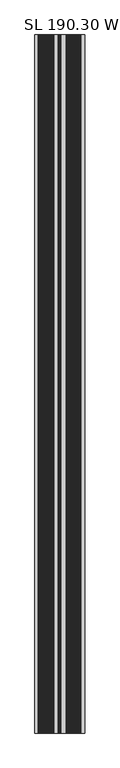
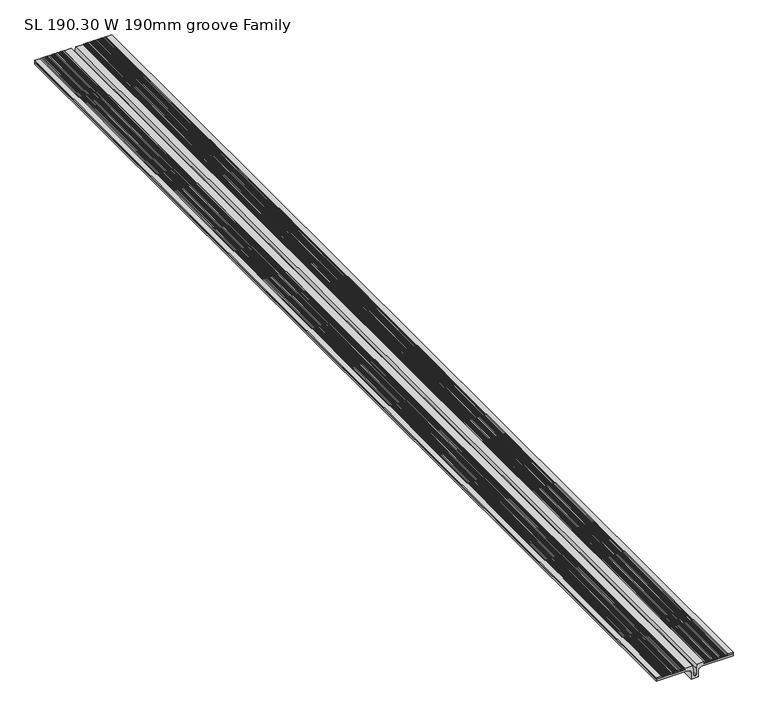
"""IFC4 building model written with IfcOpenShell, lengths in millimetres: proxy geometry, SL 190.30 W 190mm groove Family."""

from ifc_helpers import new_model, si_unit, point, frame, frame_2d, origin, place, context, project, spatial, polyline, circle_curve, trimmed, segment, composite_curve, outline, extrude, source, transform, mapped, element, save


def sl_190_30_w_190mm_groove_family_9fd43322(model_context):
    return source(origin(), model_context, "Body", "SweptSolid", [
        extrude(outline(composite_curve([segment(polyline([(-7.7357396, -8.7048553), (-24.3963787, -8.7048553), (-24.3963787, 9.0791334), (-7.7357396, 9.0791334)]), True, "CONTINUOUS"), segment(trimmed(circle_curve(frame_2d((-7.7357396, 16.7795352)), 7.7004018), [point((-7.7357396, 9.0791334))], [point((-0.0353378, 16.7795352))], True, "CARTESIAN"), True, "CONTINUOUS"), segment(polyline([(-0.0353378, 16.7795352), (-0.0353378, 95.1513609), (5.2090529, 95.1513609), (5.2090529, 23.1369527), (9.6075742, 23.1369527), (9.6075742, 5.861078), (-0.2045117, 3.4898797), (-16.5035196, 3.4898797)]), True, "CONTINUOUS"), segment(trimmed(circle_curve(frame_2d((-16.5035196, 1.1797592)), 2.3101205), [point((-16.5035196, 3.4898797))], [point((-18.8136401, 1.1797592))], True, "CARTESIAN"), True, "CONTINUOUS"), segment(polyline([(-18.8136401, 1.1797592), (-18.8136401, -0.8054811)]), True, "CONTINUOUS"), segment(trimmed(circle_curve(frame_2d((-16.5035196, -0.8054811)), 2.3101205), [point((-18.8136401, -0.8054811))], [point((-16.5035196, -3.1156016))], True, "CARTESIAN"), True, "CONTINUOUS"), segment(polyline([(-16.5035196, -3.1156016), (-0.2045117, -3.1156016), (9.6075742, -5.4867999), (9.6075742, -22.7626746), (5.2090529, -22.7626746), (5.2090529, -94.7770828), (-0.0353378, -94.7770828), (-0.0353378, -16.4052571)]), True, "CONTINUOUS"), segment(trimmed(circle_curve(frame_2d((-7.7357396, -16.4052571)), 7.7004018), [point((-0.0353378, -16.4052571))], [point((-7.7357396, -8.7048553))], True, "CARTESIAN"), True, "CONTINUOUS")], self_intersect=False)), frame((0.0, 0.0, 0.0), z_axis=(0.0, 1.0, 0.0), x_axis=(0.0, 0.0, 1.0)), (0.0, 0.0, 1.0), 2661.0),
        extrude(outline(composite_curve([segment(polyline([(5.2100041, -22.7632785), (9.6075741, -22.7626968), (9.6075741, -23.8295387)]), True, "CONTINUOUS"), segment(trimmed(circle_curve(frame_2d((9.6075741, -24.7165387)), 0.887), [point((9.6075741, -23.8295387))], [point((9.6075741, -25.6035387))], True, "CARTESIAN"), True, "CONTINUOUS"), segment(polyline([(9.6075741, -25.6035387), (9.6075741, -26.4905388)]), True, "CONTINUOUS"), segment(trimmed(circle_curve(frame_2d((9.6075741, -27.3775388)), 0.887), [point((9.6075741, -26.4905388))], [point((9.6075741, -28.2645388))], True, "CARTESIAN"), True, "CONTINUOUS"), segment(polyline([(9.6075741, -28.2645388), (9.6075741, -29.1515388)]), True, "CONTINUOUS"), segment(trimmed(circle_curve(frame_2d((9.6075741, -30.0385388)), 0.887), [point((9.6075741, -29.1515388))], [point((9.6075741, -30.9255388))], True, "CARTESIAN"), True, "CONTINUOUS"), segment(polyline([(9.6075741, -30.9255388), (9.6075741, -31.8125388)]), True, "CONTINUOUS"), segment(trimmed(circle_curve(frame_2d((9.6075741, -32.6995388)), 0.887), [point((9.6075741, -31.8125388))], [point((9.6075741, -33.5865388))], True, "CARTESIAN"), True, "CONTINUOUS"), segment(polyline([(9.6075741, -33.5865388), (9.6075741, -34.4735388)]), True, "CONTINUOUS"), segment(trimmed(circle_curve(frame_2d((9.6075741, -35.3605388)), 0.887), [point((9.6075741, -34.4735388))], [point((9.6075741, -36.2475388))], True, "CARTESIAN"), True, "CONTINUOUS"), segment(polyline([(9.6075741, -36.2475388), (9.6075741, -37.1345389)]), True, "CONTINUOUS"), segment(trimmed(circle_curve(frame_2d((9.6075741, -38.0215389)), 0.887), [point((9.6075741, -37.1345389))], [point((9.6075741, -38.9085389))], True, "CARTESIAN"), True, "CONTINUOUS"), segment(polyline([(9.6075741, -38.9085389), (9.6075741, -39.7955389)]), True, "CONTINUOUS"), segment(trimmed(circle_curve(frame_2d((9.6075741, -40.6825389)), 0.887), [point((9.6075741, -39.7955389))], [point((9.6075741, -41.5695389))], True, "CARTESIAN"), True, "CONTINUOUS"), segment(polyline([(9.6075741, -41.5695389), (9.6075741, -42.4565389)]), True, "CONTINUOUS"), segment(trimmed(circle_curve(frame_2d((9.6075741, -43.3435389)), 0.887), [point((9.6075741, -42.4565389))], [point((9.6075741, -44.2305389))], True, "CARTESIAN"), True, "CONTINUOUS"), segment(polyline([(9.6075741, -44.2305389), (9.6075741, -45.117539)]), True, "CONTINUOUS"), segment(trimmed(circle_curve(frame_2d((9.6075741, -46.004539)), 0.887), [point((9.6075741, -45.117539))], [point((9.6075741, -46.891539))], True, "CARTESIAN"), True, "CONTINUOUS"), segment(polyline([(9.6075741, -46.891539), (9.6075741, -47.778539)]), True, "CONTINUOUS"), segment(trimmed(circle_curve(frame_2d((9.6075741, -48.665539)), 0.887), [point((9.6075741, -47.778539))], [point((9.6075741, -49.552539))], True, "CARTESIAN"), True, "CONTINUOUS"), segment(polyline([(9.6075741, -49.552539), (9.6075741, -50.439539)]), True, "CONTINUOUS"), segment(trimmed(circle_curve(frame_2d((9.6075741, -51.326539)), 0.887), [point((9.6075741, -50.439539))], [point((9.6075741, -52.213539))], True, "CARTESIAN"), True, "CONTINUOUS"), segment(polyline([(9.6075741, -52.213539), (9.6075741, -53.100539)]), True, "CONTINUOUS"), segment(trimmed(circle_curve(frame_2d((9.6075741, -53.987539)), 0.887), [point((9.6075741, -53.100539))], [point((9.6075741, -54.874539))], True, "CARTESIAN"), True, "CONTINUOUS"), segment(polyline([(9.6075741, -54.874539), (9.6075741, -55.7615391)]), True, "CONTINUOUS"), segment(trimmed(circle_curve(frame_2d((9.6075741, -56.6485391)), 0.887), [point((9.6075741, -55.7615391))], [point((9.6075741, -57.5355391))], True, "CARTESIAN"), True, "CONTINUOUS"), segment(polyline([(9.6075741, -57.5355391), (9.6075741, -58.4225391)]), True, "CONTINUOUS"), segment(trimmed(circle_curve(frame_2d((9.6075741, -59.3095391)), 0.887), [point((9.6075741, -58.4225391))], [point((9.6075741, -60.1965391))], True, "CARTESIAN"), True, "CONTINUOUS"), segment(polyline([(9.6075741, -60.1965391), (9.6075741, -61.0835391)]), True, "CONTINUOUS"), segment(trimmed(circle_curve(frame_2d((9.6075741, -61.9705391)), 0.887), [point((9.6075741, -61.0835391))], [point((9.6075741, -62.8575391))], True, "CARTESIAN"), True, "CONTINUOUS"), segment(polyline([(9.6075741, -62.8575391), (9.6075741, -63.7445391)]), True, "CONTINUOUS"), segment(trimmed(circle_curve(frame_2d((9.6075741, -64.6315391)), 0.887), [point((9.6075741, -63.7445391))], [point((9.6075741, -65.5185391))], True, "CARTESIAN"), True, "CONTINUOUS"), segment(polyline([(9.6075741, -65.5185391), (9.6075741, -66.4055392)]), True, "CONTINUOUS"), segment(trimmed(circle_curve(frame_2d((9.6075741, -67.2925392)), 0.887), [point((9.6075741, -66.4055392))], [point((9.6075741, -68.1795392))], True, "CARTESIAN"), True, "CONTINUOUS"), segment(polyline([(9.6075741, -68.1795392), (9.6075741, -69.0665392)]), True, "CONTINUOUS"), segment(trimmed(circle_curve(frame_2d((9.6075741, -69.9535392)), 0.887), [point((9.6075741, -69.0665392))], [point((9.6075741, -70.8405392))], True, "CARTESIAN"), True, "CONTINUOUS"), segment(polyline([(9.6075741, -70.8405392), (9.6075741, -71.7275392)]), True, "CONTINUOUS"), segment(trimmed(circle_curve(frame_2d((9.6075741, -72.6145392)), 0.887), [point((9.6075741, -71.7275392))], [point((9.6075741, -73.5015392))], True, "CARTESIAN"), True, "CONTINUOUS"), segment(polyline([(9.6075741, -73.5015392), (9.6075741, -74.3885392)]), True, "CONTINUOUS"), segment(trimmed(circle_curve(frame_2d((9.6075741, -75.2755392)), 0.887), [point((9.6075741, -74.3885392))], [point((9.6075741, -76.1625392))], True, "CARTESIAN"), True, "CONTINUOUS"), segment(polyline([(9.6075741, -76.1625392), (9.6075741, -77.0495393)]), True, "CONTINUOUS"), segment(trimmed(circle_curve(frame_2d((9.6075741, -77.9365393)), 0.887), [point((9.6075741, -77.0495393))], [point((9.6075741, -78.8235393))], True, "CARTESIAN"), True, "CONTINUOUS"), segment(polyline([(9.6075741, -78.8235393), (9.6075741, -79.7105393)]), True, "CONTINUOUS"), segment(trimmed(circle_curve(frame_2d((9.6075741, -80.5975393)), 0.887), [point((9.6075741, -79.7105393))], [point((9.6075741, -81.4845393))], True, "CARTESIAN"), True, "CONTINUOUS"), segment(polyline([(9.6075741, -81.4845393), (9.6075741, -94.7770828), (5.2100041, -94.7770828), (5.2100041, -22.7632785)]), True, "CONTINUOUS")], self_intersect=False)), frame((0.0, 0.0, 0.0), z_axis=(0.0, 1.0, 0.0), x_axis=(0.0, 0.0, 1.0)), (0.0, 0.0, 1.0), 2661.0),
        extrude(outline(composite_curve([segment(polyline([(5.2100041, 95.1513609), (9.6075741, 95.1513609), (9.6075741, 81.8588174)]), True, "CONTINUOUS"), segment(trimmed(circle_curve(frame_2d((9.6075741, 80.9718174)), 0.887), [point((9.6075741, 81.8588174))], [point((9.6075741, 80.0848174))], True, "CARTESIAN"), True, "CONTINUOUS"), segment(polyline([(9.6075741, 80.0848174), (9.6075741, 79.1978174)]), True, "CONTINUOUS"), segment(trimmed(circle_curve(frame_2d((9.6075741, 78.3108174)), 0.887), [point((9.6075741, 79.1978174))], [point((9.6075741, 77.4238174))], True, "CARTESIAN"), True, "CONTINUOUS"), segment(polyline([(9.6075741, 77.4238174), (9.6075741, 76.5368173)]), True, "CONTINUOUS"), segment(trimmed(circle_curve(frame_2d((9.6075741, 75.6498173)), 0.887), [point((9.6075741, 76.5368173))], [point((9.6075741, 74.7628173))], True, "CARTESIAN"), True, "CONTINUOUS"), segment(polyline([(9.6075741, 74.7628173), (9.6075741, 73.8758173)]), True, "CONTINUOUS"), segment(trimmed(circle_curve(frame_2d((9.6075741, 72.9888173)), 0.887), [point((9.6075741, 73.8758173))], [point((9.6075741, 72.1018173))], True, "CARTESIAN"), True, "CONTINUOUS"), segment(polyline([(9.6075741, 72.1018173), (9.6075741, 71.2148173)]), True, "CONTINUOUS"), segment(trimmed(circle_curve(frame_2d((9.6075741, 70.3278173)), 0.887), [point((9.6075741, 71.2148173))], [point((9.6075741, 69.4408173))], True, "CARTESIAN"), True, "CONTINUOUS"), segment(polyline([(9.6075741, 69.4408173), (9.6075741, 68.5538173)]), True, "CONTINUOUS"), segment(trimmed(circle_curve(frame_2d((9.6075741, 67.6668173)), 0.887), [point((9.6075741, 68.5538173))], [point((9.6075741, 66.7798173))], True, "CARTESIAN"), True, "CONTINUOUS"), segment(polyline([(9.6075741, 66.7798173), (9.6075741, 65.8928172)]), True, "CONTINUOUS"), segment(trimmed(circle_curve(frame_2d((9.6075741, 65.0058172)), 0.887), [point((9.6075741, 65.8928172))], [point((9.6075741, 64.1188172))], True, "CARTESIAN"), True, "CONTINUOUS"), segment(polyline([(9.6075741, 64.1188172), (9.6075741, 63.2318172)]), True, "CONTINUOUS"), segment(trimmed(circle_curve(frame_2d((9.6075741, 62.3448172)), 0.887), [point((9.6075741, 63.2318172))], [point((9.6075741, 61.4578172))], True, "CARTESIAN"), True, "CONTINUOUS"), segment(polyline([(9.6075741, 61.4578172), (9.6075741, 60.5708172)]), True, "CONTINUOUS"), segment(trimmed(circle_curve(frame_2d((9.6075741, 59.6838172)), 0.887), [point((9.6075741, 60.5708172))], [point((9.6075741, 58.7968172))], True, "CARTESIAN"), True, "CONTINUOUS"), segment(polyline([(9.6075741, 58.7968172), (9.6075741, 57.9098172)]), True, "CONTINUOUS"), segment(trimmed(circle_curve(frame_2d((9.6075741, 57.0228172)), 0.887), [point((9.6075741, 57.9098172))], [point((9.6075741, 56.1358172))], True, "CARTESIAN"), True, "CONTINUOUS"), segment(polyline([(9.6075741, 56.1358172), (9.6075741, 55.2488171)]), True, "CONTINUOUS"), segment(trimmed(circle_curve(frame_2d((9.6075741, 54.3618171)), 0.887), [point((9.6075741, 55.2488171))], [point((9.6075741, 53.4748171))], True, "CARTESIAN"), True, "CONTINUOUS"), segment(polyline([(9.6075741, 53.4748171), (9.6075741, 52.5878171)]), True, "CONTINUOUS"), segment(trimmed(circle_curve(frame_2d((9.6075741, 51.7008171)), 0.887), [point((9.6075741, 52.5878171))], [point((9.6075741, 50.8138171))], True, "CARTESIAN"), True, "CONTINUOUS"), segment(polyline([(9.6075741, 50.8138171), (9.6075741, 49.9268171)]), True, "CONTINUOUS"), segment(trimmed(circle_curve(frame_2d((9.6075741, 49.0398171)), 0.887), [point((9.6075741, 49.9268171))], [point((9.6075741, 48.1528171))], True, "CARTESIAN"), True, "CONTINUOUS"), segment(polyline([(9.6075741, 48.1528171), (9.6075741, 47.265817)]), True, "CONTINUOUS"), segment(trimmed(circle_curve(frame_2d((9.6075741, 46.378817)), 0.887), [point((9.6075741, 47.265817))], [point((9.6075741, 45.491817))], True, "CARTESIAN"), True, "CONTINUOUS"), segment(polyline([(9.6075741, 45.491817), (9.6075741, 44.604817)]), True, "CONTINUOUS"), segment(trimmed(circle_curve(frame_2d((9.6075741, 43.717817)), 0.887), [point((9.6075741, 44.604817))], [point((9.6075741, 42.830817))], True, "CARTESIAN"), True, "CONTINUOUS"), segment(polyline([(9.6075741, 42.830817), (9.6075741, 41.943817)]), True, "CONTINUOUS"), segment(trimmed(circle_curve(frame_2d((9.6075741, 41.056817)), 0.887), [point((9.6075741, 41.943817))], [point((9.6075741, 40.169817))], True, "CARTESIAN"), True, "CONTINUOUS"), segment(polyline([(9.6075741, 40.169817), (9.6075741, 39.282817)]), True, "CONTINUOUS"), segment(trimmed(circle_curve(frame_2d((9.6075741, 38.395817)), 0.887), [point((9.6075741, 39.282817))], [point((9.6075741, 37.508817))], True, "CARTESIAN"), True, "CONTINUOUS"), segment(polyline([(9.6075741, 37.508817), (9.6075741, 36.6218169)]), True, "CONTINUOUS"), segment(trimmed(circle_curve(frame_2d((9.6075741, 35.7348169)), 0.887), [point((9.6075741, 36.6218169))], [point((9.6075741, 34.8478169))], True, "CARTESIAN"), True, "CONTINUOUS"), segment(polyline([(9.6075741, 34.8478169), (9.6075741, 33.9608169)]), True, "CONTINUOUS"), segment(trimmed(circle_curve(frame_2d((9.6075741, 33.0738169)), 0.887), [point((9.6075741, 33.9608169))], [point((9.6075741, 32.1868169))], True, "CARTESIAN"), True, "CONTINUOUS"), segment(polyline([(9.6075741, 32.1868169), (9.6075741, 31.2998169)]), True, "CONTINUOUS"), segment(trimmed(circle_curve(frame_2d((9.6075741, 30.4128169)), 0.887), [point((9.6075741, 31.2998169))], [point((9.6075741, 29.5258169))], True, "CARTESIAN"), True, "CONTINUOUS"), segment(polyline([(9.6075741, 29.5258169), (9.6075741, 28.6388169)]), True, "CONTINUOUS"), segment(trimmed(circle_curve(frame_2d((9.6075741, 27.7518169)), 0.887), [point((9.6075741, 28.6388169))], [point((9.6075741, 26.8648169))], True, "CARTESIAN"), True, "CONTINUOUS"), segment(polyline([(9.6075741, 26.8648169), (9.6075741, 25.9778168)]), True, "CONTINUOUS"), segment(trimmed(circle_curve(frame_2d((9.6075741, 25.0908168)), 0.887), [point((9.6075741, 25.9778168))], [point((9.6075741, 24.2038168))], True, "CARTESIAN"), True, "CONTINUOUS"), segment(polyline([(9.6075741, 24.2038168), (9.6075741, 23.1369749), (5.2100041, 23.1375566), (5.2100041, 95.1513609)]), True, "CONTINUOUS")], self_intersect=False)), frame((0.0, 0.0, 0.0), z_axis=(0.0, 1.0, 0.0), x_axis=(0.0, 0.0, 1.0)), (0.0, 0.0, 1.0), 2661.0),
    ])


if __name__ == "__main__":
    model = new_model("IFC4")
    model_context = context("Model", 3, world=origin())
    ifc_project = project(units=[si_unit("LENGTHUNIT", "METRE", prefix="MILLI")], contexts=[model_context])
    site = spatial("IfcSite", under=ifc_project)
    building = spatial("IfcBuilding", under=site)
    placement = place(None, origin())
    sl_190_30_w_190mm_groove_family_shape = sl_190_30_w_190mm_groove_family_9fd43322(model_context)
    element("IfcBuildingElementProxy", 1, Name="SL 190.30 W 190mm groove Family", ObjectType="SL 190.30 W 190mm groove Family", at=placement, inside=building, context=model_context, shape_type="MappedRepresentation", body=[
        mapped(sl_190_30_w_190mm_groove_family_shape, transform((0.0, 0.0, 0.0), x_axis=(1.0, 0.0, 0.0), y_axis=(0.0, 1.0, 0.0), z_axis=(0.0, 0.0, 1.0))),
    ])
    save(model, "model.ifc")
